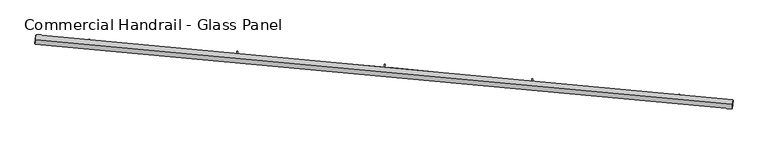
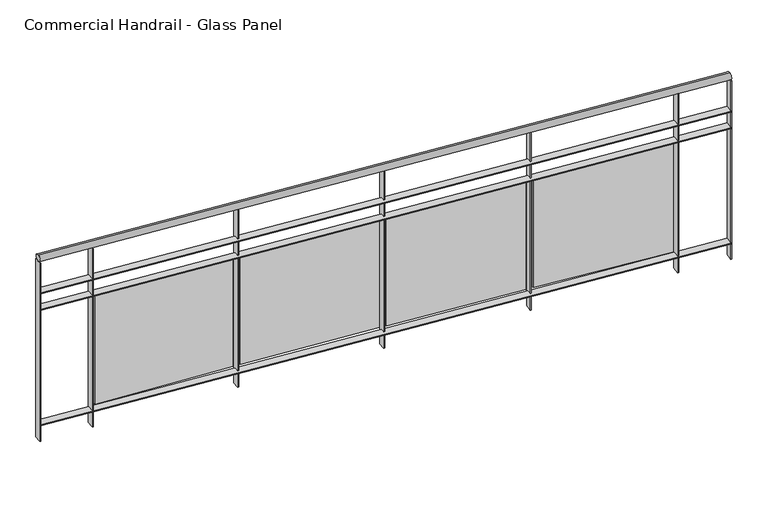
"""IFC4 building model written with IfcOpenShell, lengths in millimetres: railing geometry, Commercial Handrail - Glass Panel."""

from ifc_helpers import new_model, si_unit, point, frame, origin, place, context, project, spatial, polyline, circle_curve, ellipse_curve, trimmed, outline, extrude, source, transform, mapped, element, save
from ifc_brep_helpers import plane_surface, cylinder_surface, revolved_surface, advanced_brep


def commercial_handrail_glass_panel_0da74a37(model_context):
    return source(origin(), model_context, "Body", "SolidModel", [
        advanced_brep(
        [(134392.4186606, -8697.9244773, 12882.5), (130631.4894824, -8347.8645549, 12882.5), (130631.4894824, -8347.8645549, 12917.5), (134392.4186606, -8697.9244773, 12917.5)],
        [
            (0, 1, circle_curve(frame((123990.1653691, -100078.2018552, 12882.5), z_axis=(0.0, 0.0, 1.0), x_axis=(0.07221150688072363, 0.9973893413677606, 0.0)), 91970.4407253)),
            (1, 2, ellipse_curve(frame((130631.4894824, -8347.8645549, 12900.0), z_axis=(0.9973893413677601, -0.07221150688073003, 0.0), x_axis=(-0.07221150688073003, -0.9973893413677601, 0.0)), 25.0, 17.5)),
            (2, 3, circle_curve(frame((123990.1653691, -100078.2018552, 12917.5), z_axis=(0.0, 0.0, -1.0), x_axis=(0.07221150688072363, 0.9973893413677606, 0.0)), 91970.4407253)),
            (3, 0, ellipse_curve(frame((134392.4186606, -8697.9244773, 12900.0), z_axis=(-0.9935831192856617, 0.11310431057468384, 0.0), x_axis=(-0.11310431057468384, -0.9935831192856617, 0.0)), 25.0, 17.5)),
            (2, 1, ellipse_curve(frame((130631.4894824, -8347.8645549, 12900.0), z_axis=(0.9973893413677601, -0.07221150688073003, 0.0), x_axis=(-0.07221150688073003, -0.9973893413677601, 0.0)), 25.0, 17.5)),
            (0, 3, ellipse_curve(frame((134392.4186606, -8697.9244773, 12900.0), z_axis=(-0.9935831192856617, 0.11310431057468384, 0.0), x_axis=(-0.11310431057468384, -0.9935831192856617, 0.0)), 25.0, 17.5)),
        ],
        [
            revolved_surface(trimmed(ellipse_curve(frame((130631.4894824, -8347.8645549, 12900.0), z_axis=(-0.9973893413677606, 0.07221150688072363, 0.0), x_axis=(0.0, 0.0, -1.0)), 17.5, 25.0), [point((130631.4894824, -8347.8645549, 12917.5))], [point((130631.4894824, -8347.8645549, 12882.5))], True, "CARTESIAN"), (123990.1653691, -100078.2018552, 12900.0), (0.0, 0.0, -1.0)),
            revolved_surface(trimmed(ellipse_curve(frame((130631.4894824, -8347.8645549, 12900.0), z_axis=(-0.9973893413677606, 0.07221150688072363, 0.0), x_axis=(0.0, 0.0, -1.0)), 17.5, 25.0), [point((130631.4894824, -8347.8645549, 12882.5))], [point((130631.4894824, -8347.8645549, 12917.5))], True, "CARTESIAN"), (123990.1653691, -100078.2018552, 12900.0), (0.0, 0.0, -1.0)),
            plane_surface(frame((130631.4894824, -8347.8645549, 12900.0), z_axis=(-0.9973893413677607, 0.07221150688072363, 0.0), x_axis=(0.07221150688072363, 0.9973893413677607, 0.0))),
            plane_surface(frame((134392.4186606, -8697.9244773, 12900.0), z_axis=(0.9935831192856617, -0.11310431057468376, 0.0), x_axis=(0.11310431057468376, 0.9935831192856617, 0.0))),
        ],
        [
            (0, [[1, 2, 3, 4]]),
            (1, [[-3, 5, -1, 6]]),
            (2, [[-2, -5]]),
            (3, [[-6, -4]]),
        ],
    ),
        advanced_brep(
        [(134394.9635076, -8675.5688571, 12700.0), (130633.1142413, -8325.4232948, 12700.0), (130629.8647235, -8370.3058151, 12700.0), (134389.8738136, -8720.2800975, 12700.0), (134394.9635076, -8675.5688571, 12694.0), (130633.1142413, -8325.4232948, 12694.0), (134389.8738136, -8720.2800975, 12694.0), (130629.8647235, -8370.3058151, 12694.0)],
        [
            (0, 1, circle_curve(frame((123990.1653691, -100078.2018552, 12700.0), z_axis=(0.0, 0.0, 1.0), x_axis=(0.07221150688072363, 0.9973893413677606, 0.0)), 91992.9407253)),
            (1, 2),
            (2, 3, circle_curve(frame((123990.1653691, -100078.2018552, 12700.0), z_axis=(0.0, 0.0, -1.0), x_axis=(0.07221150688072363, 0.9973893413677606, 0.0)), 91947.9407253)),
            (3, 0),
            (4, 5, circle_curve(frame((123990.1653691, -100078.2018552, 12694.0), z_axis=(0.0, 0.0, 1.0), x_axis=(0.07221150688072363, 0.9973893413677606, 0.0)), 91992.9407253)),
            (5, 1),
            (0, 4),
            (6, 7, circle_curve(frame((123990.1653691, -100078.2018552, 12694.0), z_axis=(0.0, 0.0, 1.0), x_axis=(0.07221150688072363, 0.9973893413677606, 0.0)), 91947.9407253)),
            (7, 5),
            (4, 6),
            (2, 7),
            (6, 3),
        ],
        [
            plane_surface(frame((123990.1653691, -100078.2018552, 12700.0), z_axis=(0.0, 0.0, 1.0), x_axis=(0.07221150688072363, 0.9973893413677606, 0.0))),
            cylinder_surface(frame((123990.1653691, -100078.2018552, 12700.0), z_axis=(0.0, 0.0, -1.0), x_axis=(0.07221150688072363, 0.9973893413677606, 0.0)), 91992.9407253),
            plane_surface(frame((123990.1653691, -100078.2018552, 12694.0), z_axis=(0.0, 0.0, -1.0), x_axis=(0.07221150688072363, 0.9973893413677606, 0.0))),
            revolved_surface(polyline([(130629.86472345337, -8370.305815071144, 12694.0), (130629.86472345337, -8370.305815071144, 12700.0)]), (123990.1653691, -100078.2018552, 12700.0), (0.0, 0.0, -1.0)),
            plane_surface(frame((130631.4894824, -8347.8645549, 12700.0), z_axis=(-0.9973893413677607, 0.07221150688072363, 0.0), x_axis=(0.07221150688072363, 0.9973893413677607, 0.0))),
            plane_surface(frame((134392.4186606, -8697.9244773, 12700.0), z_axis=(0.9935831192856617, -0.11310431057468376, 0.0), x_axis=(0.11310431057468376, 0.9935831192856617, 0.0))),
        ],
        [
            (0, [[1, 2, 3, 4]]),
            (1, [[5, 6, -1, 7]]),
            (2, [[8, 9, -5, 10]]),
            (3, [[-3, 11, -8, 12]]),
            (4, [[-2, -6, -9, -11]]),
            (5, [[-12, -10, -7, -4]]),
        ],
    ),
        advanced_brep(
        [(134394.9635076, -8675.5688571, 12600.0), (130633.1142413, -8325.4232948, 12600.0), (130629.8647235, -8370.3058151, 12600.0), (134389.8738136, -8720.2800975, 12600.0), (134394.9635076, -8675.5688571, 12594.0), (130633.1142413, -8325.4232948, 12594.0), (134389.8738136, -8720.2800975, 12594.0), (130629.8647235, -8370.3058151, 12594.0)],
        [
            (0, 1, circle_curve(frame((123990.1653691, -100078.2018552, 12600.0), z_axis=(0.0, 0.0, 1.0), x_axis=(0.07221150688072363, 0.9973893413677606, 0.0)), 91992.9407253)),
            (1, 2),
            (2, 3, circle_curve(frame((123990.1653691, -100078.2018552, 12600.0), z_axis=(0.0, 0.0, -1.0), x_axis=(0.07221150688072363, 0.9973893413677606, 0.0)), 91947.9407253)),
            (3, 0),
            (4, 5, circle_curve(frame((123990.1653691, -100078.2018552, 12594.0), z_axis=(0.0, 0.0, 1.0), x_axis=(0.07221150688072363, 0.9973893413677606, 0.0)), 91992.9407253)),
            (5, 1),
            (0, 4),
            (6, 7, circle_curve(frame((123990.1653691, -100078.2018552, 12594.0), z_axis=(0.0, 0.0, 1.0), x_axis=(0.07221150688072363, 0.9973893413677606, 0.0)), 91947.9407253)),
            (7, 5),
            (4, 6),
            (2, 7),
            (6, 3),
        ],
        [
            plane_surface(frame((123990.1653691, -100078.2018552, 12600.0), z_axis=(0.0, 0.0, 1.0), x_axis=(0.07221150688072363, 0.9973893413677606, 0.0))),
            cylinder_surface(frame((123990.1653691, -100078.2018552, 12600.0), z_axis=(0.0, 0.0, -1.0), x_axis=(0.07221150688072363, 0.9973893413677606, 0.0)), 91992.9407253),
            plane_surface(frame((123990.1653691, -100078.2018552, 12594.0), z_axis=(0.0, 0.0, -1.0), x_axis=(0.07221150688072363, 0.9973893413677606, 0.0))),
            revolved_surface(polyline([(130629.86472345337, -8370.305815071144, 12594.0), (130629.86472345337, -8370.305815071144, 12600.0)]), (123990.1653691, -100078.2018552, 12600.0), (0.0, 0.0, -1.0)),
            plane_surface(frame((130631.4894824, -8347.8645549, 12600.0), z_axis=(-0.9973893413677607, 0.07221150688072363, 0.0), x_axis=(0.07221150688072363, 0.9973893413677607, 0.0))),
            plane_surface(frame((134392.4186606, -8697.9244773, 12600.0), z_axis=(0.9935831192856617, -0.11310431057468376, 0.0), x_axis=(0.11310431057468376, 0.9935831192856617, 0.0))),
        ],
        [
            (0, [[1, 2, 3, 4]]),
            (1, [[5, 6, -1, 7]]),
            (2, [[8, 9, -5, 10]]),
            (3, [[-3, 11, -8, 12]]),
            (4, [[-2, -6, -9, -11]]),
            (5, [[-12, -10, -7, -4]]),
        ],
    ),
        advanced_brep(
        [(134394.9635076, -8675.5688571, 11900.0), (130633.1142413, -8325.4232948, 11900.0), (130629.8647235, -8370.3058151, 11900.0), (134389.8738136, -8720.2800975, 11900.0), (134394.9635076, -8675.5688571, 11894.0), (130633.1142413, -8325.4232948, 11894.0), (134389.8738136, -8720.2800975, 11894.0), (130629.8647235, -8370.3058151, 11894.0)],
        [
            (0, 1, circle_curve(frame((123990.1653691, -100078.2018552, 11900.0), z_axis=(0.0, 0.0, 1.0), x_axis=(0.07221150688072363, 0.9973893413677606, 0.0)), 91992.9407253)),
            (1, 2),
            (2, 3, circle_curve(frame((123990.1653691, -100078.2018552, 11900.0), z_axis=(0.0, 0.0, -1.0), x_axis=(0.07221150688072363, 0.9973893413677606, 0.0)), 91947.9407253)),
            (3, 0),
            (4, 5, circle_curve(frame((123990.1653691, -100078.2018552, 11894.0), z_axis=(0.0, 0.0, 1.0), x_axis=(0.07221150688072363, 0.9973893413677606, 0.0)), 91992.9407253)),
            (5, 1),
            (0, 4),
            (6, 7, circle_curve(frame((123990.1653691, -100078.2018552, 11894.0), z_axis=(0.0, 0.0, 1.0), x_axis=(0.07221150688072363, 0.9973893413677606, 0.0)), 91947.9407253)),
            (7, 5),
            (4, 6),
            (2, 7),
            (6, 3),
        ],
        [
            plane_surface(frame((123990.1653691, -100078.2018552, 11900.0), z_axis=(0.0, 0.0, 1.0), x_axis=(0.07221150688072363, 0.9973893413677606, 0.0))),
            cylinder_surface(frame((123990.1653691, -100078.2018552, 11900.0), z_axis=(0.0, 0.0, -1.0), x_axis=(0.07221150688072363, 0.9973893413677606, 0.0)), 91992.9407253),
            plane_surface(frame((123990.1653691, -100078.2018552, 11894.0), z_axis=(0.0, 0.0, -1.0), x_axis=(0.07221150688072363, 0.9973893413677606, 0.0))),
            revolved_surface(polyline([(130629.86472345337, -8370.305815071144, 11894.0), (130629.86472345337, -8370.305815071144, 11900.0)]), (123990.1653691, -100078.2018552, 11900.0), (0.0, 0.0, -1.0)),
            plane_surface(frame((130631.4894824, -8347.8645549, 11900.0), z_axis=(-0.9973893413677607, 0.07221150688072363, 0.0), x_axis=(0.07221150688072363, 0.9973893413677607, 0.0))),
            plane_surface(frame((134392.4186606, -8697.9244773, 11900.0), z_axis=(0.9935831192856617, -0.11310431057468376, 0.0), x_axis=(0.11310431057468376, 0.9935831192856617, 0.0))),
        ],
        [
            (0, [[1, 2, 3, 4]]),
            (1, [[5, 6, -1, 7]]),
            (2, [[8, 9, -5, 10]]),
            (3, [[-3, 11, -8, 12]]),
            (4, [[-2, -6, -9, -11]]),
            (5, [[-12, -10, -7, -4]]),
        ],
    ),
        extrude(outline(polyline([(134100.038637, -8687.7522714), (134104.9879428, -8643.0252732), (134110.9515425, -8643.6851806), (134106.0022367, -8688.4121789), (134100.038637, -8687.7522714)])), frame((0.0, 0.0, 11800.0), z_axis=(0.0, 0.0, 1.0), x_axis=(1.0, 0.0, 0.0)), (0.0, 0.0, 1.0), 1082.1192282),
        extrude(outline(polyline([(133330.5884692, -8576.4721186), (134086.3341715, -8656.7742575), (134085.066243, -8668.7070844), (133329.3205407, -8588.4049454), (133330.5884692, -8576.4721186)])), frame((0.0, 0.0, 11920.0), z_axis=(0.0, 0.0, 1.0), x_axis=(1.0, 0.0, 0.0)), (0.0, 0.0, 1.0), 660.0),
        extrude(outline(polyline([(133304.7112147, -8603.2705991), (133309.2712828, -8558.5022422), (133315.240397, -8559.1102513), (133310.680329, -8603.8786082), (133304.7112147, -8603.2705991)])), frame((0.0, 0.0, 11800.0), z_axis=(0.0, 0.0, 1.0), x_axis=(1.0, 0.0, 0.0)), (0.0, 0.0, 1.0), 1082.1192282),
        extrude(outline(polyline([(132534.3222039, -8498.6875932), (133290.7378105, -8572.4129632), (133289.5737257, -8584.3563675), (132533.1581191, -8510.6309975), (132534.3222039, -8498.6875932)])), frame((0.0, 0.0, 11920.0), z_axis=(0.0, 0.0, 1.0), x_axis=(1.0, 0.0, 0.0)), (0.0, 0.0, 1.0), 660.0),
        extrude(outline(polyline([(132508.6790306, -8525.710149), (132512.8495159, -8480.9038207), (132518.823693, -8481.4598854), (132514.6532077, -8526.2662137), (132508.6790306, -8525.710149)])), frame((0.0, 0.0, 11800.0), z_axis=(0.0, 0.0, 1.0), x_axis=(1.0, 0.0, 0.0)), (0.0, 0.0, 1.0), 1082.1192282),
        extrude(outline(polyline([(131737.4094664, -8427.832203), (132494.4377449, -8494.9752258), (132493.3775919, -8506.9283039), (131736.3493134, -8439.7852811), (131737.4094664, -8427.832203)])), frame((0.0, 0.0, 11920.0), z_axis=(0.0, 0.0, 1.0), x_axis=(1.0, 0.0, 0.0)), (0.0, 0.0, 1.0), 660.0),
        extrude(outline(polyline([(131712.0023145, -8455.0767895), (131715.7829014, -8410.23588), (131721.7616894, -8410.7399583), (131717.9811024, -8455.5808678), (131712.0023145, -8455.0767895)])), frame((0.0, 0.0, 11800.0), z_axis=(0.0, 0.0, 1.0), x_axis=(1.0, 0.0, 0.0)), (0.0, 0.0, 1.0), 1082.1192282),
        extrude(outline(polyline([(130939.9105529, -8363.9113091), (131697.4942248, -8424.4669046), (131696.5380838, -8436.428752), (130938.954412, -8375.8731566), (130939.9105529, -8363.9113091)])), frame((0.0, 0.0, 11920.0), z_axis=(0.0, 0.0, 1.0), x_axis=(1.0, 0.0, 0.0)), (0.0, 0.0, 1.0), 660.0),
        extrude(outline(polyline([(130914.7413448, -8391.3758649), (130918.1317474, -8346.503767), (130924.1146938, -8346.9558207), (130920.7242912, -8391.8279186), (130914.7413448, -8391.3758649)])), frame((0.0, 0.0, 11800.0), z_axis=(0.0, 0.0, 1.0), x_axis=(1.0, 0.0, 0.0)), (0.0, 0.0, 1.0), 1082.1192282),
        extrude(outline(polyline([(134386.8930643, -8719.9407846), (134391.9827582, -8675.2295442), (134397.9442569, -8675.9081701), (134392.854563, -8720.6194104), (134386.8930643, -8719.9407846)])), frame((0.0, 0.0, 11800.0), z_axis=(0.0, 0.0, 1.0), x_axis=(1.0, 0.0, 0.0)), (0.0, 0.0, 1.0), 1082.1192282),
        extrude(outline(polyline([(130626.8725554, -8370.0891806), (130630.1220733, -8325.2066602), (130636.1064093, -8325.6399293), (130632.8568915, -8370.5224496), (130626.8725554, -8370.0891806)])), frame((0.0, 0.0, 11800.0), z_axis=(0.0, 0.0, 1.0), x_axis=(1.0, 0.0, 0.0)), (0.0, 0.0, 1.0), 1082.1192282),
    ])


if __name__ == "__main__":
    model = new_model("IFC4")
    model_context = context("Model", 3, world=origin())
    ifc_project = project(units=[si_unit("LENGTHUNIT", "METRE", prefix="MILLI")], contexts=[model_context])
    site = spatial("IfcSite", under=ifc_project)
    building = spatial("IfcBuilding", under=site)
    placement = place(None, origin())
    commercial_handrail_glass_panel_shape = commercial_handrail_glass_panel_0da74a37(model_context)
    element("IfcRailing", 1, ObjectType="Commercial Handrail - Glass Panel", at=placement, inside=building, context=model_context, shape_type="MappedRepresentation", body=[
        mapped(commercial_handrail_glass_panel_shape, transform((0.0, 0.0, 0.0), x_axis=(1.0, 0.0, 0.0), y_axis=(0.0, 1.0, 0.0), z_axis=(0.0, 0.0, 1.0))),
    ])
    save(model, "model.ifc")
